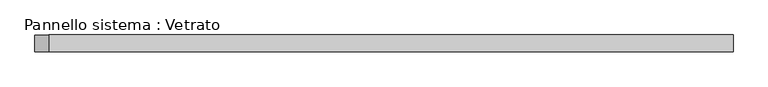
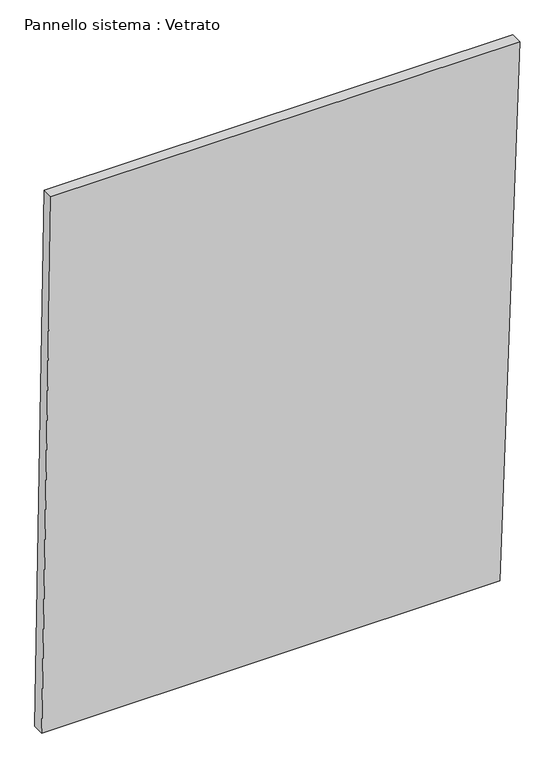
"""IFC4 building model written with IfcOpenShell, lengths in millimetres: plate geometry, Pannello sistema : Vetrato."""

from ifc_helpers import new_model, si_unit, frame, origin, place, context, project, spatial, polyline, outline, extrude, source, transform, mapped, element, save


def pannello_sistema_vetrato_79700541(model_context):
    return source(origin(), model_context, "Body", "SweptSolid", [
        extrude(outline(polyline([(0.0, -620.0580164), (1.0999987, 568.8558934), (1460.3534108, 620.0580164), (1460.3534108, -595.6973501), (0.0, -620.0580164)])), frame((0.0, -15.0, 0.0), z_axis=(0.0, 1.0, 0.0), x_axis=(0.0, 0.0, 1.0)), (0.0, 0.0, 1.0), 30.0),
    ])


if __name__ == "__main__":
    model = new_model("IFC4")
    model_context = context("Model", 3, world=origin())
    ifc_project = project(units=[si_unit("LENGTHUNIT", "METRE", prefix="MILLI")], contexts=[model_context])
    site = spatial("IfcSite", under=ifc_project)
    building = spatial("IfcBuilding", under=site)
    placement = place(None, origin())
    pannello_sistema_vetrato_shape = pannello_sistema_vetrato_79700541(model_context)
    element("IfcPlate", 1, ObjectType="Pannello sistema : Vetrato", at=placement, inside=building, context=model_context, shape_type="MappedRepresentation", body=[
        mapped(pannello_sistema_vetrato_shape, transform((0.0, 0.0, 0.0), x_axis=(1.0, 0.0, 0.0), y_axis=(0.0, 1.0, 0.0), z_axis=(0.0, 0.0, 1.0))),
    ])
    save(model, "model.ifc")
